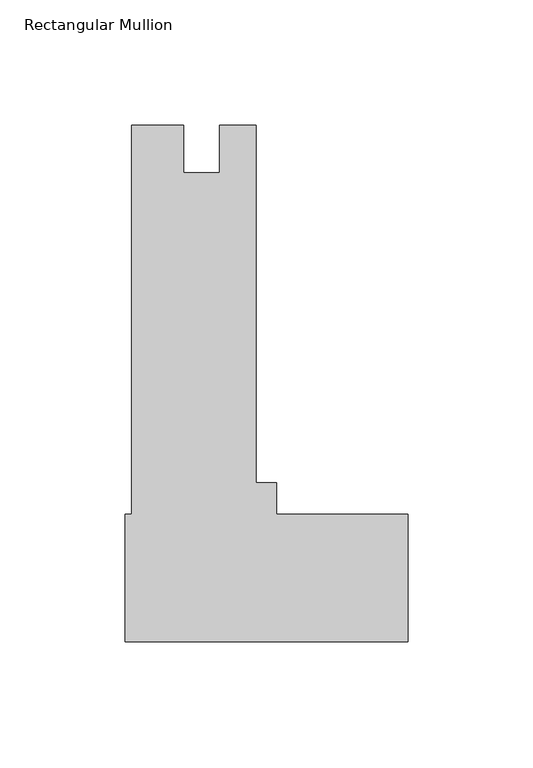
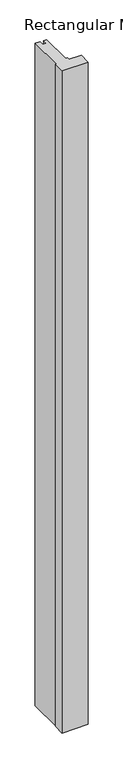
"""IFC4 building model written with IfcOpenShell, lengths in millimetres: member geometry, Rectangular Mullion."""

from ifc_helpers import new_model, si_unit, frame, origin, place, context, project, spatial, polyline, outline, extrude, source, transform, mapped, element, save


def rectangular_mullion_28a67ae3(model_context):
    return source(origin(), model_context, "Body", "SweptSolid", [
        extrude(outline(polyline([(-113.0808, -49.6139161), (-110.5134935, -49.6139161), (-110.5134935, 105.9610839), (-89.6346869, 105.9610839), (-89.6346869, 86.9364852), (-75.3217935, 86.9364852), (-75.3217935, 105.9610852), (-60.7294935, 105.9610852), (-60.7294935, -36.9139161), (-52.5526, -36.9139161), (-52.5526, -49.6139161), (0.0, -49.6139161), (0.0, -100.4139161), (-113.0808, -100.4139161), (-113.0808, -49.6139161)])), frame((0.0, 0.0, -3048.0), z_axis=(0.0, 0.0, 1.0), x_axis=(1.0, 0.0, 0.0)), (0.0, 0.0, 1.0), 3048.0),
    ])


if __name__ == "__main__":
    model = new_model("IFC4")
    model_context = context("Model", 3, world=origin())
    ifc_project = project(units=[si_unit("LENGTHUNIT", "METRE", prefix="MILLI")], contexts=[model_context])
    site = spatial("IfcSite", under=ifc_project)
    building = spatial("IfcBuilding", under=site)
    placement = place(None, origin())
    rectangular_mullion_shape = rectangular_mullion_28a67ae3(model_context)
    element("IfcMember", 1, ObjectType="Rectangular Mullion", at=placement, inside=building, context=model_context, shape_type="MappedRepresentation", body=[
        mapped(rectangular_mullion_shape, transform((0.0, 0.0, 0.0), x_axis=(1.0, 0.0, 0.0), y_axis=(0.0, 1.0, 0.0), z_axis=(0.0, 0.0, 1.0))),
    ])
    save(model, "model.ifc")
